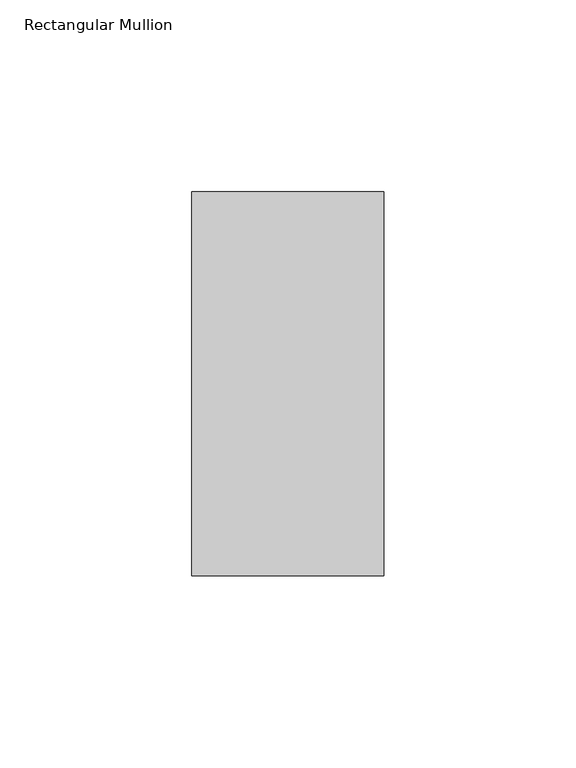
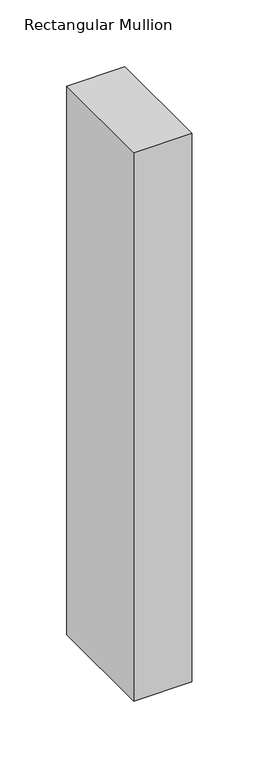
"""IFC4 building model written with IfcOpenShell, lengths in millimetres: member geometry, Rectangular Mullion."""

from ifc_helpers import new_model, si_unit, frame, origin, place, context, project, spatial, polyline, outline, extrude, source, transform, mapped, element, save


def rectangular_mullion_1638f161(model_context):
    return source(origin(), model_context, "Body", "SweptSolid", [
        extrude(outline(polyline([(25.0, 69.0), (25.0, -31.0), (-25.0, -31.0), (-25.0, 69.0), (25.0, 69.0)])), frame((0.0, 0.0, -500.0), z_axis=(0.0, 0.0, 1.0), x_axis=(1.0, 0.0, 0.0)), (0.0, 0.0, 1.0), 500.0),
    ])


if __name__ == "__main__":
    model = new_model("IFC4")
    model_context = context("Model", 3, world=origin())
    ifc_project = project(units=[si_unit("LENGTHUNIT", "METRE", prefix="MILLI")], contexts=[model_context])
    site = spatial("IfcSite", under=ifc_project)
    building = spatial("IfcBuilding", under=site)
    placement = place(None, origin())
    rectangular_mullion_shape = rectangular_mullion_1638f161(model_context)
    element("IfcMember", 1, ObjectType="Rectangular Mullion", at=placement, inside=building, context=model_context, shape_type="MappedRepresentation", body=[
        mapped(rectangular_mullion_shape, transform((0.0, 0.0, 0.0), x_axis=(1.0, 0.0, 0.0), y_axis=(0.0, 1.0, 0.0), z_axis=(0.0, 0.0, 1.0))),
    ])
    save(model, "model.ifc")
